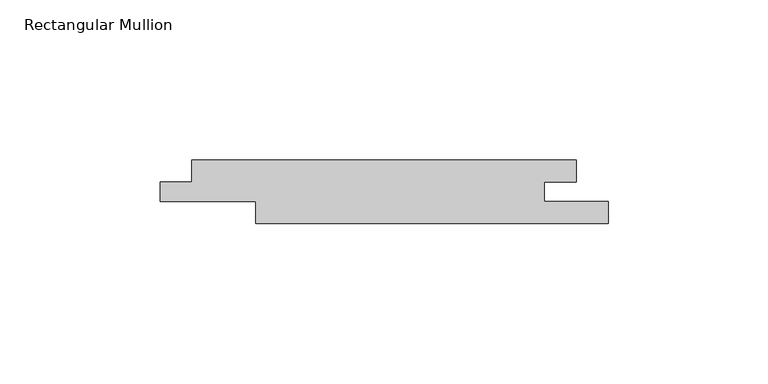
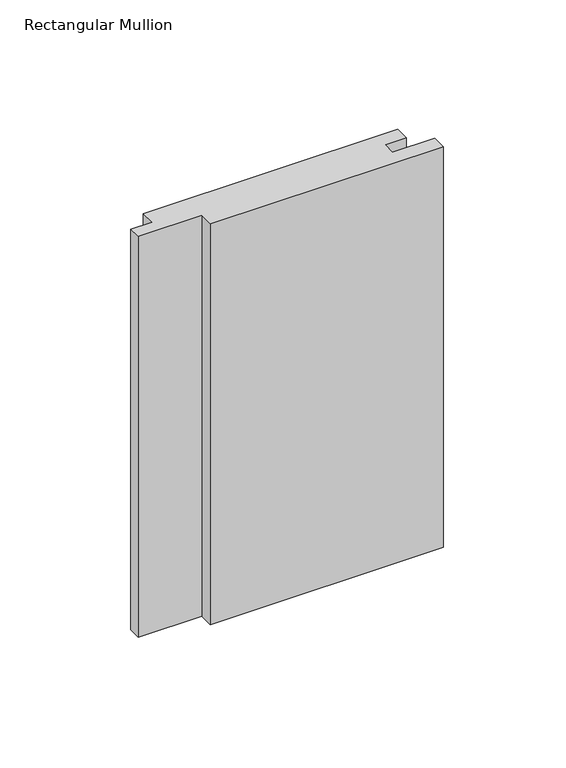
"""IFC4 building model written with IfcOpenShell, lengths in millimetres: member geometry, Rectangular Mullion."""

from ifc_helpers import new_model, si_unit, frame, origin, place, context, project, spatial, polyline, outline, extrude, source, transform, mapped, element, save


def rectangular_mullion_46bab6df(model_context):
    return source(origin(), model_context, "Body", "SweptSolid", [
        extrude(outline(polyline([(-140.0, -7.0), (-130.0288065, -7.0), (-130.0288065, 0.0), (-10.0, 0.0), (-10.0, -7.0), (-20.0, -7.0), (-20.0, -13.0), (0.0, -13.0), (0.0, -20.0), (-110.0288065, -20.0), (-110.0288065, -13.0), (-140.0, -13.0), (-140.0, -7.0)])), frame((0.0, 0.0, -200.0), z_axis=(0.0, 0.0, 1.0), x_axis=(1.0, 0.0, 0.0)), (0.0, 0.0, 1.0), 200.0),
    ])


if __name__ == "__main__":
    model = new_model("IFC4")
    model_context = context("Model", 3, world=origin())
    ifc_project = project(units=[si_unit("LENGTHUNIT", "METRE", prefix="MILLI")], contexts=[model_context])
    site = spatial("IfcSite", under=ifc_project)
    building = spatial("IfcBuilding", under=site)
    placement = place(None, origin())
    rectangular_mullion_shape = rectangular_mullion_46bab6df(model_context)
    element("IfcMember", 1, ObjectType="Rectangular Mullion", at=placement, inside=building, context=model_context, shape_type="MappedRepresentation", body=[
        mapped(rectangular_mullion_shape, transform((0.0, 0.0, 0.0), x_axis=(1.0, 0.0, 0.0), y_axis=(0.0, 1.0, 0.0), z_axis=(0.0, 0.0, 1.0))),
    ])
    save(model, "model.ifc")
